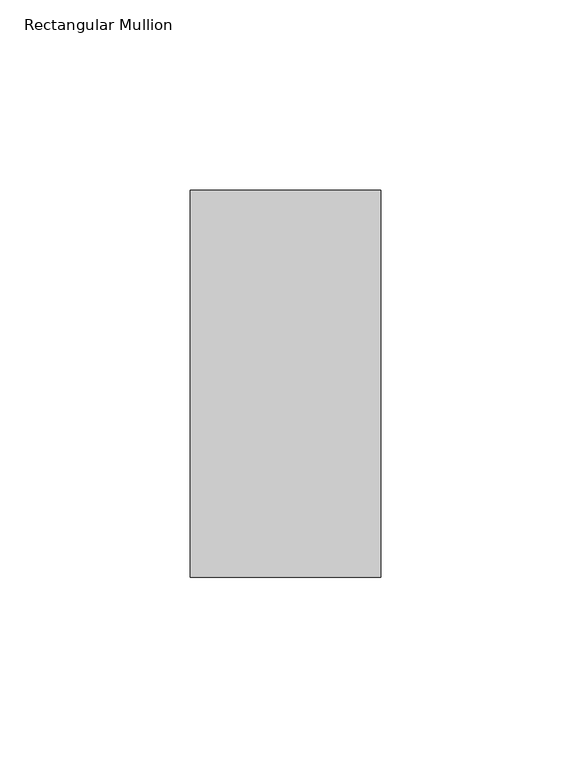
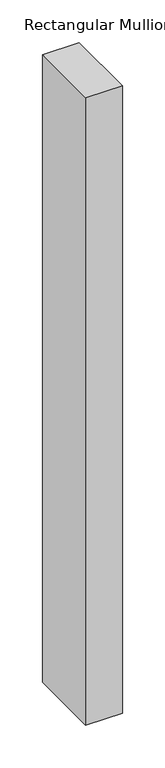
"""IFC4 building model written with IfcOpenShell, lengths in millimetres: member geometry, Rectangular Mullion."""

from ifc_helpers import new_model, si_unit, frame, origin, place, context, project, spatial, polyline, outline, extrude, source, transform, mapped, element, save


def rectangular_mullion_d033ede3(model_context):
    return source(origin(), model_context, "Body", "SweptSolid", [
        extrude(outline(polyline([(0.0, 50.8), (0.0, -50.8), (-50.0, -50.8), (-50.0, 50.8), (0.0, 50.8)])), frame((0.0, 0.0, -900.0), z_axis=(0.0, 0.0, 1.0), x_axis=(1.0, 0.0, 0.0)), (0.0, 0.0, 1.0), 900.0),
    ])


if __name__ == "__main__":
    model = new_model("IFC4")
    model_context = context("Model", 3, world=origin())
    ifc_project = project(units=[si_unit("LENGTHUNIT", "METRE", prefix="MILLI")], contexts=[model_context])
    site = spatial("IfcSite", under=ifc_project)
    building = spatial("IfcBuilding", under=site)
    placement = place(None, origin())
    rectangular_mullion_shape = rectangular_mullion_d033ede3(model_context)
    element("IfcMember", 1, ObjectType="Rectangular Mullion", at=placement, inside=building, context=model_context, shape_type="MappedRepresentation", body=[
        mapped(rectangular_mullion_shape, transform((0.0, 0.0, 0.0), x_axis=(1.0, 0.0, 0.0), y_axis=(0.0, 1.0, 0.0), z_axis=(0.0, 0.0, 1.0))),
    ])
    save(model, "model.ifc")
